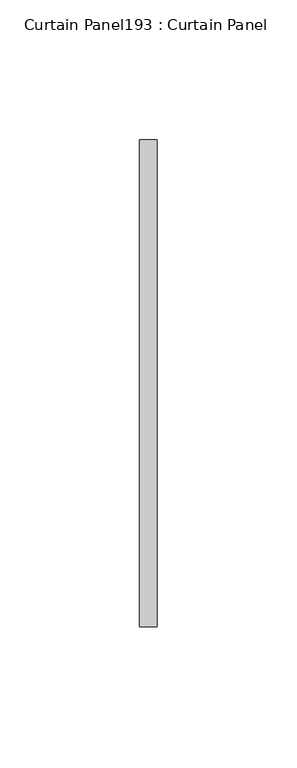
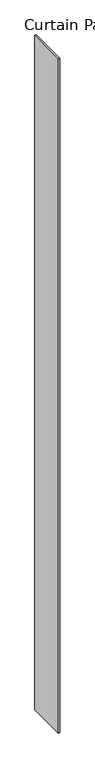
"""IFC4 building model written with IfcOpenShell, lengths in millimetres: plate geometry, Curtain Panel193 : Curtain Panel."""

from ifc_helpers import new_model, si_unit, frame, origin, place, context, project, spatial, polyline, outline, extrude, source, transform, mapped, element, save


def curtain_panel193_curtain_panel_f3edf3c4(model_context):
    return source(origin(), model_context, "Body", "SweptSolid", [
        extrude(outline(polyline([(600470.5689525, 3292.8642924), (600470.5689525, 3118.5350138), (600464.2189525, 3118.5350138), (600464.2189525, 3292.8642924), (600470.5689525, 3292.8642924)])), frame((0.0, 0.0, 4959.7989371), z_axis=(0.0, 0.0, 1.0), x_axis=(1.0, 0.0, 0.0)), (0.0, 0.0, 1.0), 3048.0),
    ])


if __name__ == "__main__":
    model = new_model("IFC4")
    model_context = context("Model", 3, world=origin())
    ifc_project = project(units=[si_unit("LENGTHUNIT", "METRE", prefix="MILLI")], contexts=[model_context])
    site = spatial("IfcSite", under=ifc_project)
    building = spatial("IfcBuilding", under=site)
    placement = place(None, origin())
    curtain_panel193_curtain_panel_shape = curtain_panel193_curtain_panel_f3edf3c4(model_context)
    element("IfcPlate", 1, ObjectType="Curtain Panel193 : Curtain Panel", at=placement, inside=building, context=model_context, shape_type="MappedRepresentation", body=[
        mapped(curtain_panel193_curtain_panel_shape, transform((0.0, 0.0, 0.0), x_axis=(1.0, 0.0, 0.0), y_axis=(0.0, 1.0, 0.0), z_axis=(0.0, 0.0, 1.0))),
    ])
    save(model, "model.ifc")
